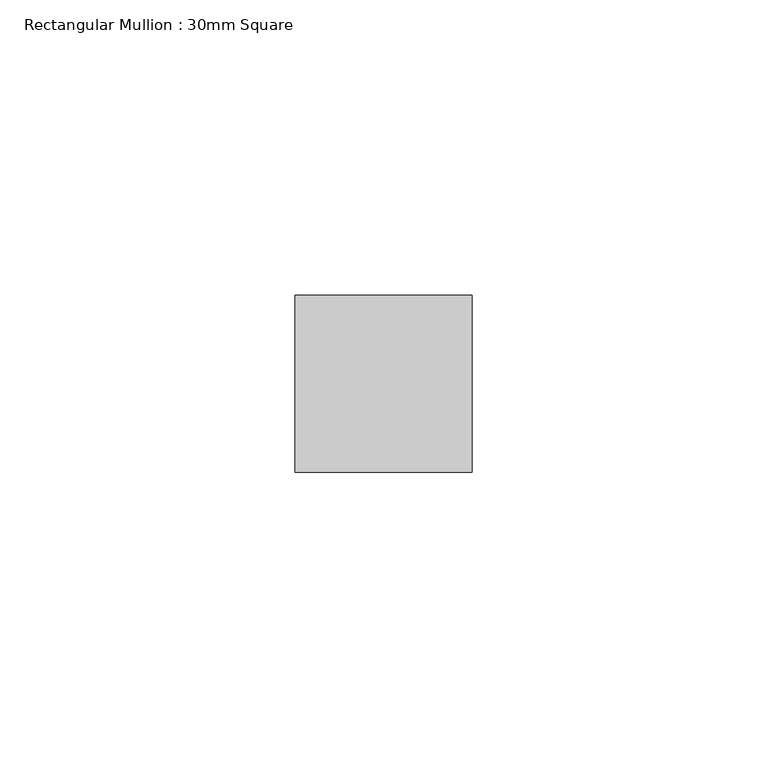
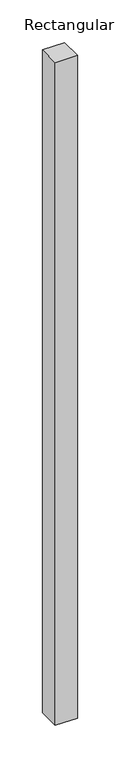
"""IFC4 building model written with IfcOpenShell, lengths in millimetres: member geometry, Rectangular Mullion : 30mm Square."""

from ifc_helpers import new_model, si_unit, frame, origin, place, context, project, spatial, polyline, outline, extrude, source, transform, mapped, element, save


def rectangular_mullion_30mm_square_c8a6bfd0(model_context):
    return source(origin(), model_context, "Body", "SweptSolid", [
        extrude(outline(polyline([(15.0, 15.0), (15.0, -15.0), (-15.0, -15.0), (-15.0, 15.0), (15.0, 15.0)])), frame((0.0, 0.0, -948.8380147), z_axis=(0.0, 0.0, 1.0), x_axis=(1.0, 0.0, 0.0)), (0.0, 0.0, 1.0), 948.8380147),
    ])


if __name__ == "__main__":
    model = new_model("IFC4")
    model_context = context("Model", 3, world=origin())
    ifc_project = project(units=[si_unit("LENGTHUNIT", "METRE", prefix="MILLI")], contexts=[model_context])
    site = spatial("IfcSite", under=ifc_project)
    building = spatial("IfcBuilding", under=site)
    placement = place(None, origin())
    rectangular_mullion_30mm_square_shape = rectangular_mullion_30mm_square_c8a6bfd0(model_context)
    element("IfcMember", 1, ObjectType="Rectangular Mullion : 30mm Square", at=placement, inside=building, context=model_context, shape_type="MappedRepresentation", body=[
        mapped(rectangular_mullion_30mm_square_shape, transform((0.0, 0.0, 0.0), x_axis=(1.0, 0.0, 0.0), y_axis=(0.0, 1.0, 0.0), z_axis=(0.0, 0.0, 1.0))),
    ])
    save(model, "model.ifc")
